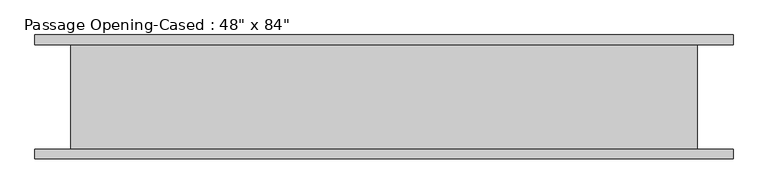
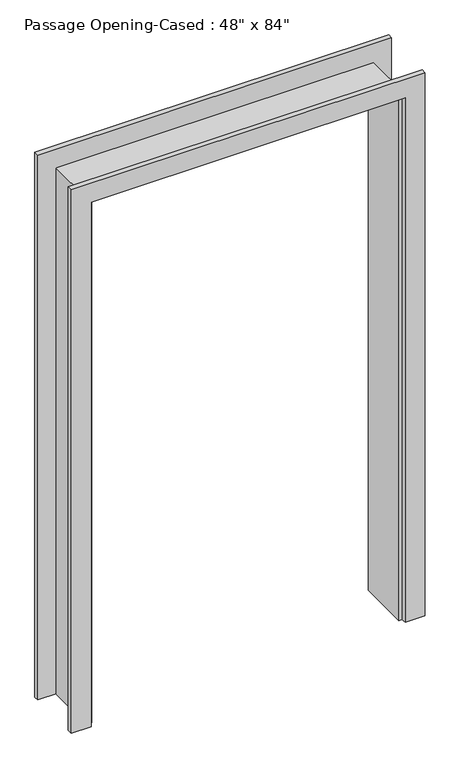
"""IFC4 building model written with IfcOpenShell, lengths in millimetres: proxy geometry."""

from ifc_helpers import new_model, si_unit, frame, origin, place, context, project, spatial, polyline, outline, extrude, faceted_brep, source, transform, mapped, element, save


def proxy_005b4f0d(model_context):
    return source(origin(), model_context, "Body", "SolidModel", [
        extrude(outline(polyline([(0.0, -611.4386567), (2127.25, -611.4386567), (2127.25, 595.0613433), (0.0, 595.0613433), (0.0, 671.2613433), (2203.45, 671.2613433), (2203.45, -687.6386567), (0.0, -687.6386567), (0.0, -611.4386567)])), frame((0.0, -120.65, 0.0), z_axis=(0.0, 1.0, 0.0), x_axis=(0.0, 0.0, 1.0)), (0.0, 0.0, 1.0), 19.05),
        extrude(outline(polyline([(0.0, 671.2613433), (2209.8, 671.2613433), (2209.8, -687.6386567), (0.0, -687.6386567), (0.0, -611.4386567), (2127.25, -611.4386567), (2127.25, 595.0613433), (0.0, 595.0613433), (0.0, 671.2613433)])), frame((0.0, 101.6, 0.0), z_axis=(0.0, 1.0, 0.0), x_axis=(0.0, 0.0, 1.0)), (0.0, 0.0, 1.0), 19.05),
        faceted_brep([(582.3613433, 101.6, 0.0), (601.4113433, 101.6, 0.0), (601.4113433, -101.6, 0.0), (582.3613433, -101.6, 0.0), (582.3613433, 101.6, 2114.55), (601.4113433, 101.6, 2133.6), (601.4113433, -101.6, 2133.6), (582.3613433, -101.6, 2114.55), (-598.7386567, 101.6, 2114.55), (-617.7886567, 101.6, 2133.6), (-617.7886567, -101.6, 2133.6), (-598.7386567, -101.6, 2114.55), (-598.7386567, 101.6, 0.0), (-598.7386567, -101.6, 0.0), (-617.7886567, -101.6, 0.0), (-617.7886567, 101.6, 0.0)], [[[0, 1, 2, 3]], [[1, 0, 4, 5]], [[2, 1, 5, 6]], [[3, 2, 6, 7]], [[0, 3, 7, 4]], [[5, 4, 8, 9]], [[6, 5, 9, 10]], [[7, 6, 10, 11]], [[4, 7, 11, 8]], [[12, 13, 14, 15]], [[9, 8, 12, 15]], [[10, 9, 15, 14]], [[11, 10, 14, 13]], [[8, 11, 13, 12]]]),
    ])


if __name__ == "__main__":
    model = new_model("IFC4")
    model_context = context("Model", 3, world=origin())
    ifc_project = project(units=[si_unit("LENGTHUNIT", "METRE", prefix="MILLI")], contexts=[model_context])
    site = spatial("IfcSite", under=ifc_project)
    building = spatial("IfcBuilding", under=site)
    placement = place(None, origin())
    proxy_shape = proxy_005b4f0d(model_context)
    element("IfcBuildingElementProxy", 1, Name="Passage Opening-Cased : 48\" x 84\"", ObjectType="Passage Opening-Cased : 48\" x 84\"", at=placement, inside=building, context=model_context, shape_type="MappedRepresentation", body=[
        mapped(proxy_shape, transform((0.0, 0.0, 0.0), x_axis=(1.0, 0.0, 0.0), y_axis=(0.0, 1.0, 0.0), z_axis=(0.0, 0.0, 1.0))),
    ])
    save(model, "model.ifc")
